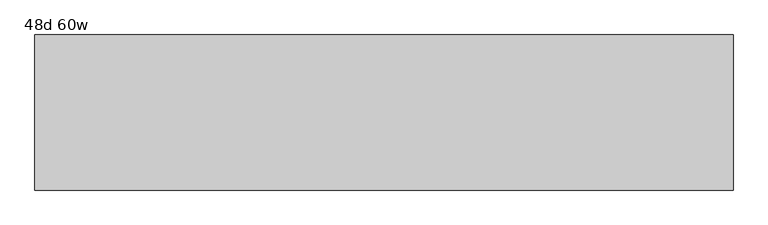
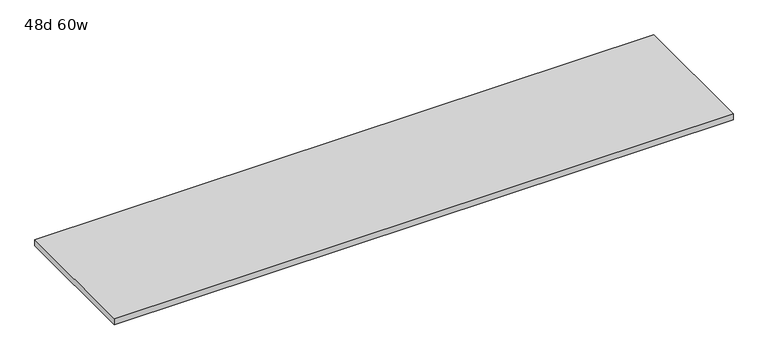
"""IFC4 building model written with IfcOpenShell, lengths in millimetres: furniture geometry, 48d 60w."""

from ifc_helpers import new_model, si_unit, frame, origin, place, context, project, spatial, polyline, outline, extrude, source, transform, mapped, element, save


def furniture_48d_60w_5ced461d(model_context):
    return source(origin(), model_context, "Body", "SweptSolid", [
        extrude(outline(polyline([(757.5408447, -88.9), (757.5408447, -495.3), (-1071.2591553, -495.3), (-1071.2591553, -88.9), (757.5408447, -88.9)])), frame((0.0, 0.0, 539.75), z_axis=(0.0, 0.0, 1.0), x_axis=(1.0, 0.0, 0.0)), (0.0, 0.0, 1.0), 19.05),
    ])


if __name__ == "__main__":
    model = new_model("IFC4")
    model_context = context("Model", 3, world=origin())
    ifc_project = project(units=[si_unit("LENGTHUNIT", "METRE", prefix="MILLI")], contexts=[model_context])
    site = spatial("IfcSite", under=ifc_project)
    building = spatial("IfcBuilding", under=site)
    placement = place(None, origin())
    furniture_48d_60w_shape = furniture_48d_60w_5ced461d(model_context)
    element("IfcFurniture", 1, ObjectType="48d 60w", at=placement, inside=building, context=model_context, shape_type="MappedRepresentation", body=[
        mapped(furniture_48d_60w_shape, transform((0.0, 0.0, 0.0), x_axis=(1.0, 0.0, 0.0), y_axis=(0.0, 1.0, 0.0), z_axis=(0.0, 0.0, 1.0))),
    ])
    save(model, "model.ifc")
